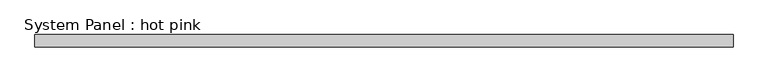
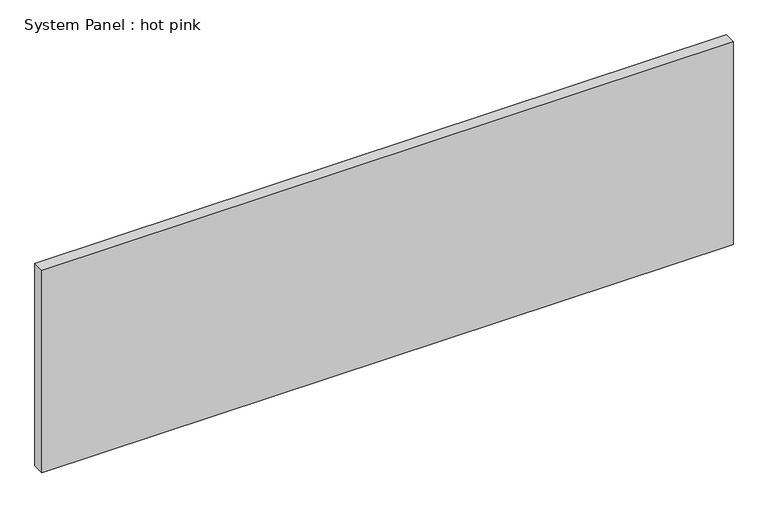
"""IFC4 building model written with IfcOpenShell, lengths in millimetres: plate geometry, System Panel : hot pink."""

from ifc_helpers import new_model, si_unit, origin, origin_with_axes, place, context, project, spatial, polyline, outline, extrude, source, transform, mapped, element, save


def system_panel_hot_pink_940a7f65(model_context):
    return source(origin(), model_context, "Body", "SweptSolid", [
        extrude(outline(polyline([(1812.925, -19.05), (-1812.925, -19.05), (-1812.925, 44.45), (1812.925, 44.45), (1812.925, -19.05)])), origin_with_axes(), (0.0, 0.0, 1.0), 1123.95),
    ])


if __name__ == "__main__":
    model = new_model("IFC4")
    model_context = context("Model", 3, world=origin())
    ifc_project = project(units=[si_unit("LENGTHUNIT", "METRE", prefix="MILLI")], contexts=[model_context])
    site = spatial("IfcSite", under=ifc_project)
    building = spatial("IfcBuilding", under=site)
    placement = place(None, origin())
    system_panel_hot_pink_shape = system_panel_hot_pink_940a7f65(model_context)
    element("IfcPlate", 1, ObjectType="System Panel : hot pink", at=placement, inside=building, context=model_context, shape_type="MappedRepresentation", body=[
        mapped(system_panel_hot_pink_shape, transform((0.0, 0.0, 0.0), x_axis=(1.0, 0.0, 0.0), y_axis=(0.0, 1.0, 0.0), z_axis=(0.0, 0.0, 1.0))),
    ])
    save(model, "model.ifc")
